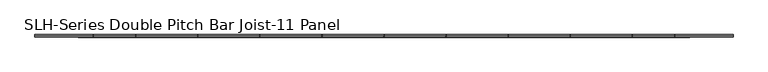
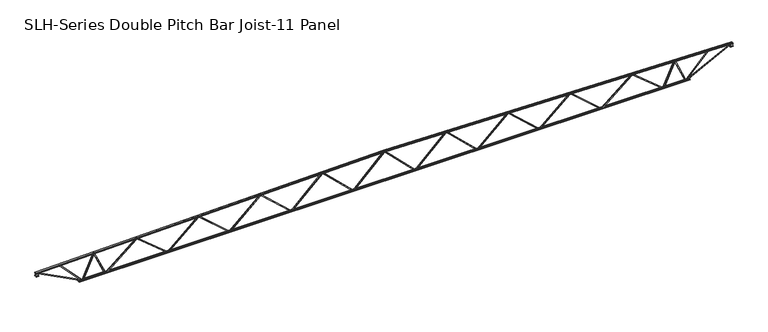
"""IFC4 building model written with IfcOpenShell, lengths in millimetres: beam geometry, SLH-Series Double Pitch Bar Joist-11 Panel."""

from ifc_helpers import new_model, si_unit, frame, origin, place, context, project, spatial, polyline, outline, extrude, faceted_brep, source, transform, mapped, element, save


def slh_series_double_pitch_bar_joist_11_panel_0d3c16e5(model_context):
    return source(origin(), model_context, "Body", "SolidModel", [
        faceted_brep([(12801.6005483, 0.0, -863.6), (12801.6005483, 0.0, -914.4), (12801.6005483, -12.7, -914.4), (12801.6005483, -12.7, -863.6), (12817.8412945, 0.0, -863.6), (14596.0777309, 0.0, 610.4397819), (14656.3233291, 0.0, 609.1851802), (14655.2656592, 0.0, 558.3961918), (14613.9332808, 0.0, 559.2569298), (12836.1587055, 0.0, -914.4), (12836.1587055, -12.7, -914.4), (12905.2963134, -12.7, -857.0895196), (12897.1913876, -12.7, -847.3119853), (14592.0008334, -12.7, 557.572368), (14600.1057592, -12.7, 547.7948337), (14613.9332808, -12.7, 559.2569298), (14655.2656592, -12.7, 558.3961918), (14656.3233291, -12.7, 609.1851802), (14596.0777309, -12.7, 610.4397819), (12817.8412945, -12.7, -863.6), (14600.1057592, -50.8, 547.7948337), (12905.2963134, -50.8, -857.0895196), (12897.1913876, -50.8, -847.3119853), (14592.0008334, -50.8, 557.572368)], [[[0, 1, 2, 3]], [[1, 0, 4, 5, 6, 7, 8, 9]], [[2, 1, 9, 10]], [[3, 2, 10, 11, 12, 13, 14, 15, 16, 17, 18, 19]], [[0, 3, 19, 4]], [[9, 8, 15, 14, 20, 21, 11, 10]], [[5, 4, 19, 18]], [[7, 6, 17, 16]], [[8, 7, 16, 15]], [[6, 5, 18, 17]], [[11, 21, 22, 12]], [[13, 23, 20, 14]], [[22, 21, 20, 23]], [[12, 22, 23, 13]]]),
        faceted_brep([(16459.200586, 12.7, -863.6), (16459.200586, 0.0, -863.6), (16459.200586, 0.0, -914.4), (16459.200586, 12.7, -914.4), (16442.9536443, 12.7, -863.6), (16442.9536443, 0.0, -863.6), (14665.1773799, 0.0, 609.0007964), (14605.5343408, 0.0, 610.24285), (14604.4766709, 0.0, 559.4538617), (14646.4116084, 0.0, 558.5805756), (16424.6463557, 0.0, -914.4), (16424.6463557, 12.7, -914.4), (16355.4885392, 12.7, -857.1139074), (16363.5900161, 12.7, -847.3335152), (14668.3446486, 12.7, 556.9037492), (14660.2431717, 12.7, 547.123357), (14646.4116084, 12.7, 558.5805756), (14604.4766709, 12.7, 559.4538617), (14605.5343408, 12.7, 610.24285), (14665.1773799, 12.7, 609.0007964), (16355.4885392, 50.8, -857.1139074), (16363.5900161, 50.8, -847.3335152), (14660.2431717, 50.8, 547.123357), (14668.3446486, 50.8, 556.9037492)], [[[0, 1, 2, 3]], [[1, 0, 4, 5]], [[2, 1, 5, 6, 7, 8, 9, 10]], [[3, 2, 10, 11]], [[0, 3, 11, 12, 13, 14, 15, 16, 17, 18, 19, 4]], [[5, 4, 19, 6]], [[8, 7, 18, 17]], [[7, 6, 19, 18]], [[9, 8, 17, 16]], [[20, 21, 13, 12]], [[22, 15, 14, 23]], [[21, 20, 22, 23]], [[13, 21, 23, 14]], [[20, 12, 11, 10, 9, 16, 15, 22]]]),
        faceted_brep([(9144.0005483, 0.0, -863.6), (9144.0005483, 0.0, -914.4), (9144.0005483, -12.7, -914.4), (9144.0005483, -12.7, -863.6), (9159.8828503, 0.0, -863.6), (10938.116566, 0.0, 686.6160461), (10998.7233291, 0.0, 685.3539232), (10997.6656592, 0.0, 634.5649348), (10956.6944457, 0.0, 635.4181517), (9178.9171497, 0.0, -914.4), (9178.9171497, -12.7, -914.4), (9246.6086066, -12.7, -855.3884192), (9238.2631088, -12.7, -845.8154016), (10934.8106565, -12.7, 633.1888531), (10943.1561543, -12.7, 623.6158355), (10956.6944457, -12.7, 635.4181517), (10997.6656592, -12.7, 634.5649348), (10998.7233291, -12.7, 685.3539232), (10938.116566, -12.7, 686.6160461), (9159.8828503, -12.7, -863.6), (10943.1561543, -50.8, 623.6158355), (9246.6086066, -50.8, -855.3884192), (9238.2631088, -50.8, -845.8154016), (10934.8106565, -50.8, 633.1888531)], [[[0, 1, 2, 3]], [[1, 0, 4, 5, 6, 7, 8, 9]], [[2, 1, 9, 10]], [[3, 2, 10, 11, 12, 13, 14, 15, 16, 17, 18, 19]], [[0, 3, 19, 4]], [[9, 8, 15, 14, 20, 21, 11, 10]], [[5, 4, 19, 18]], [[7, 6, 17, 16]], [[8, 7, 16, 15]], [[6, 5, 18, 17]], [[11, 21, 22, 12]], [[13, 23, 20, 14]], [[22, 21, 20, 23]], [[12, 22, 23, 13]]]),
        faceted_brep([(12801.600586, 12.7, -863.6), (12801.600586, 0.0, -863.6), (12801.600586, 0.0, -914.4), (12801.600586, 12.7, -914.4), (12785.7122535, 12.7, -863.6), (12785.7122535, 0.0, -863.6), (11007.9332225, 0.0, 685.1621291), (10947.9343408, 0.0, 686.4115931), (10946.8766709, 0.0, 635.6226047), (10988.4557659, 0.0, 634.7567289), (12766.6877465, 0.0, -914.4), (12766.6877465, 12.7, -914.4), (12698.9763422, 12.7, -855.4113085), (12707.3186029, 12.7, -845.8354699), (11010.3403075, 12.7, 632.5348293), (11001.9980467, 12.7, 622.9589906), (10988.4557659, 12.7, 634.7567289), (10946.8766709, 12.7, 635.6226047), (10947.9343408, 12.7, 686.4115931), (11007.9332225, 12.7, 685.1621291), (12698.9763422, 50.8, -855.4113085), (12707.3186029, 50.8, -845.8354699), (11001.9980467, 50.8, 622.9589906), (11010.3403075, 50.8, 632.5348293)], [[[0, 1, 2, 3]], [[1, 0, 4, 5]], [[2, 1, 5, 6, 7, 8, 9, 10]], [[3, 2, 10, 11]], [[0, 3, 11, 12, 13, 14, 15, 16, 17, 18, 19, 4]], [[5, 4, 19, 6]], [[8, 7, 18, 17]], [[7, 6, 19, 18]], [[9, 8, 17, 16]], [[20, 21, 13, 12]], [[22, 15, 14, 23]], [[21, 20, 22, 23]], [[13, 21, 23, 14]], [[20, 12, 11, 10, 9, 16, 15, 22]]]),
        faceted_brep([(5486.4005483, 0.0, -863.6), (5486.4005483, 0.0, -914.4), (5486.4005483, -12.7, -914.4), (5486.4005483, -12.7, -863.6), (5501.9361494, 0.0, -863.6), (7280.1671323, 0.0, 762.792066), (7341.1233291, 0.0, 761.5226662), (7340.0656592, 0.0, 710.7336778), (7299.4438793, 0.0, 711.5796178), (5521.6638506, 0.0, -914.4), (5521.6638506, -12.7, -914.4), (5587.9299471, -12.7, -853.792208), (5579.3587109, -12.7, -844.4207667), (7277.6194239, -12.7, 708.8295006), (7286.19066, -12.7, 699.4580594), (7299.4438793, -12.7, 711.5796178), (7340.0656592, -12.7, 710.7336778), (7341.1233291, -12.7, 761.5226662), (7280.1671323, -12.7, 762.792066), (5501.9361494, -12.7, -863.6), (7286.19066, -50.8, 699.4580594), (5587.9299471, -50.8, -853.792208), (5579.3587109, -50.8, -844.4207667), (7277.6194239, -50.8, 708.8295006)], [[[0, 1, 2, 3]], [[1, 0, 4, 5, 6, 7, 8, 9]], [[2, 1, 9, 10]], [[3, 2, 10, 11, 12, 13, 14, 15, 16, 17, 18, 19]], [[0, 3, 19, 4]], [[9, 8, 15, 14, 20, 21, 11, 10]], [[5, 4, 19, 18]], [[7, 6, 17, 16]], [[8, 7, 16, 15]], [[6, 5, 18, 17]], [[11, 21, 22, 12]], [[13, 23, 20, 14]], [[22, 21, 20, 23]], [[12, 22, 23, 13]]]),
        faceted_brep([(9144.000586, 12.7, -863.6), (9144.000586, 0.0, -863.6), (9144.000586, 0.0, -914.4), (9144.000586, 12.7, -914.4), (9128.4591155, 12.7, -863.6), (9128.4591155, 0.0, -863.6), (7350.6773093, 0.0, 761.3237066), (7290.3343408, 0.0, 762.5803361), (7289.2766709, 0.0, 711.7913477), (7330.511679, 0.0, 710.9326375), (9108.7408845, 0.0, -914.4), (9108.7408845, 12.7, -914.4), (9042.4551543, 12.7, -853.8136817), (9051.0233536, 12.7, -844.4394638), (7352.3370244, 12.7, 708.1895917), (7343.768825, 12.7, 698.8153738), (7330.511679, 12.7, 710.9326375), (7289.2766709, 12.7, 711.7913477), (7290.3343408, 12.7, 762.5803361), (7350.6773093, 12.7, 761.3237066), (9042.4551543, 50.8, -853.8136817), (9051.0233536, 50.8, -844.4394638), (7343.768825, 50.8, 698.8153738), (7352.3370244, 50.8, 708.1895917)], [[[0, 1, 2, 3]], [[1, 0, 4, 5]], [[2, 1, 5, 6, 7, 8, 9, 10]], [[3, 2, 10, 11]], [[0, 3, 11, 12, 13, 14, 15, 16, 17, 18, 19, 4]], [[5, 4, 19, 6]], [[8, 7, 18, 17]], [[7, 6, 19, 18]], [[9, 8, 17, 16]], [[20, 21, 13, 12]], [[22, 15, 14, 23]], [[21, 20, 22, 23]], [[13, 21, 23, 14]], [[20, 12, 11, 10, 9, 16, 15, 22]]]),
        faceted_brep([(1828.8005483, 0.0, -863.6), (1828.8005483, 0.0, -914.4), (1828.8005483, -12.7, -914.4), (1828.8005483, -12.7, -863.6), (1844.0009054, 0.0, -863.6), (3622.2291509, 0.0, 838.9678474), (3683.5233291, 0.0, 837.6914092), (3682.4656592, 0.0, 786.9024209), (3642.1818608, 0.0, 787.7413224), (1864.3990946, 0.0, -914.4), (1864.3990946, -12.7, -914.4), (1929.2640419, -12.7, -852.294939), (1920.48106, -12.7, -843.1216501), (3620.4258893, -12.7, 784.493599), (3629.2088713, -12.7, 775.3203102), (3642.1818608, -12.7, 787.7413224), (3682.4656592, -12.7, 786.9024209), (3683.5233291, -12.7, 837.6914092), (3622.2291509, -12.7, 838.9678474), (1844.0009054, -12.7, -863.6), (3629.2088713, -50.8, 775.3203102), (1929.2640419, -50.8, -852.294939), (1920.48106, -50.8, -843.1216501), (3620.4258893, -50.8, 784.493599)], [[[0, 1, 2, 3]], [[1, 0, 4, 5, 6, 7, 8, 9]], [[2, 1, 9, 10]], [[3, 2, 10, 11, 12, 13, 14, 15, 16, 17, 18, 19]], [[0, 3, 19, 4]], [[9, 8, 15, 14, 20, 21, 11, 10]], [[5, 4, 19, 18]], [[7, 6, 17, 16]], [[8, 7, 16, 15]], [[6, 5, 18, 17]], [[11, 21, 22, 12]], [[13, 23, 20, 14]], [[22, 21, 20, 23]], [[12, 22, 23, 13]]]),
        faceted_brep([(5486.400586, 12.7, -863.6), (5486.400586, 0.0, -863.6), (5486.400586, 0.0, -914.4), (5486.400586, 12.7, -914.4), (5471.1945165, 12.7, -863.6), (5471.1945165, 0.0, -863.6), (3693.4099343, 0.0, 837.4855227), (3632.7343408, 0.0, 838.7490791), (3631.6766709, 0.0, 787.9600907), (3672.579054, 0.0, 787.1083073), (5450.8054835, 0.0, -914.4), (5450.8054835, 12.7, -914.4), (5385.9212589, 12.7, -852.3150791), (5394.7013926, 12.7, -843.1390641), (3694.3360327, 12.7, 783.8673382), (3685.555899, 12.7, 774.6913231), (3672.579054, 12.7, 787.1083073), (3631.6766709, 12.7, 787.9600907), (3632.7343408, 12.7, 838.7490791), (3693.4099343, 12.7, 837.4855227), (5385.9212589, 50.8, -852.3150791), (5394.7013926, 50.8, -843.1390641), (3685.555899, 50.8, 774.6913231), (3694.3360327, 50.8, 783.8673382)], [[[0, 1, 2, 3]], [[1, 0, 4, 5]], [[2, 1, 5, 6, 7, 8, 9, 10]], [[3, 2, 10, 11]], [[0, 3, 11, 12, 13, 14, 15, 16, 17, 18, 19, 4]], [[5, 4, 19, 6]], [[8, 7, 18, 17]], [[7, 6, 19, 18]], [[9, 8, 17, 16]], [[20, 21, 13, 12]], [[22, 15, 14, 23]], [[21, 20, 22, 23]], [[13, 21, 23, 14]], [[20, 12, 11, 10, 9, 16, 15, 22]]]),
        faceted_brep([(-1828.8005483, 0.0, -863.6), (-1828.8005483, 0.0, -914.4), (-1828.8005483, 12.7, -914.4), (-1828.8005483, 12.7, -863.6), (-1844.0009054, 0.0, -863.6), (-3622.2291509, 0.0, 838.9678474), (-3683.5233291, 0.0, 837.6914092), (-3682.4656592, 0.0, 786.9024209), (-3642.1818608, 0.0, 787.7413224), (-1864.3990946, 0.0, -914.4), (-1864.3990946, 12.7, -914.4), (-1929.2640419, 12.7, -852.294939), (-1920.48106, 12.7, -843.1216501), (-3620.4258893, 12.7, 784.493599), (-3629.2088713, 12.7, 775.3203102), (-3642.1818608, 12.7, 787.7413224), (-3682.4656592, 12.7, 786.9024209), (-3683.5233291, 12.7, 837.6914092), (-3622.2291509, 12.7, 838.9678474), (-1844.0009054, 12.7, -863.6), (-3629.2088713, 50.8, 775.3203102), (-1929.2640419, 50.8, -852.294939), (-1920.48106, 50.8, -843.1216501), (-3620.4258893, 50.8, 784.493599)], [[[0, 1, 2, 3]], [[1, 0, 4, 5, 6, 7, 8, 9]], [[2, 1, 9, 10]], [[3, 2, 10, 11, 12, 13, 14, 15, 16, 17, 18, 19]], [[0, 3, 19, 4]], [[9, 8, 15, 14, 20, 21, 11, 10]], [[5, 4, 19, 18]], [[7, 6, 17, 16]], [[8, 7, 16, 15]], [[6, 5, 18, 17]], [[11, 21, 22, 12]], [[13, 23, 20, 14]], [[22, 21, 20, 23]], [[12, 22, 23, 13]]]),
        faceted_brep([(-5486.400586, -12.7, -863.6), (-5486.400586, 0.0, -863.6), (-5486.400586, 0.0, -914.4), (-5486.400586, -12.7, -914.4), (-5471.1945165, -12.7, -863.6), (-5471.1945165, 0.0, -863.6), (-3693.4099343, 0.0, 837.4855227), (-3632.7343408, 0.0, 838.7490791), (-3631.6766709, 0.0, 787.9600907), (-3672.579054, 0.0, 787.1083073), (-5450.8054835, 0.0, -914.4), (-5450.8054835, -12.7, -914.4), (-5385.9212589, -12.7, -852.3150791), (-5394.7013926, -12.7, -843.1390641), (-3694.3360327, -12.7, 783.8673382), (-3685.555899, -12.7, 774.6913231), (-3672.579054, -12.7, 787.1083073), (-3631.6766709, -12.7, 787.9600907), (-3632.7343408, -12.7, 838.7490791), (-3693.4099343, -12.7, 837.4855227), (-5385.9212589, -50.8, -852.3150791), (-5394.7013926, -50.8, -843.1390641), (-3685.555899, -50.8, 774.6913231), (-3694.3360327, -50.8, 783.8673382)], [[[0, 1, 2, 3]], [[1, 0, 4, 5]], [[2, 1, 5, 6, 7, 8, 9, 10]], [[3, 2, 10, 11]], [[0, 3, 11, 12, 13, 14, 15, 16, 17, 18, 19, 4]], [[5, 4, 19, 6]], [[8, 7, 18, 17]], [[7, 6, 19, 18]], [[9, 8, 17, 16]], [[20, 21, 13, 12]], [[22, 15, 14, 23]], [[21, 20, 22, 23]], [[13, 21, 23, 14]], [[20, 12, 11, 10, 9, 16, 15, 22]]]),
        faceted_brep([(-5486.4005483, 0.0, -863.6), (-5486.4005483, 0.0, -914.4), (-5486.4005483, 12.7, -914.4), (-5486.4005483, 12.7, -863.6), (-5501.9361494, 0.0, -863.6), (-7280.1671323, 0.0, 762.792066), (-7341.1233291, 0.0, 761.5226662), (-7340.0656592, 0.0, 710.7336778), (-7299.4438793, 0.0, 711.5796178), (-5521.6638506, 0.0, -914.4), (-5521.6638506, 12.7, -914.4), (-5587.9299471, 12.7, -853.792208), (-5579.3587109, 12.7, -844.4207667), (-7277.6194239, 12.7, 708.8295006), (-7286.19066, 12.7, 699.4580594), (-7299.4438793, 12.7, 711.5796178), (-7340.0656592, 12.7, 710.7336778), (-7341.1233291, 12.7, 761.5226662), (-7280.1671323, 12.7, 762.792066), (-5501.9361494, 12.7, -863.6), (-7286.19066, 50.8, 699.4580594), (-5587.9299471, 50.8, -853.792208), (-5579.3587109, 50.8, -844.4207667), (-7277.6194239, 50.8, 708.8295006)], [[[0, 1, 2, 3]], [[1, 0, 4, 5, 6, 7, 8, 9]], [[2, 1, 9, 10]], [[3, 2, 10, 11, 12, 13, 14, 15, 16, 17, 18, 19]], [[0, 3, 19, 4]], [[9, 8, 15, 14, 20, 21, 11, 10]], [[5, 4, 19, 18]], [[7, 6, 17, 16]], [[8, 7, 16, 15]], [[6, 5, 18, 17]], [[11, 21, 22, 12]], [[13, 23, 20, 14]], [[22, 21, 20, 23]], [[12, 22, 23, 13]]]),
        faceted_brep([(-9144.000586, -12.7, -863.6), (-9144.000586, 0.0, -863.6), (-9144.000586, 0.0, -914.4), (-9144.000586, -12.7, -914.4), (-9128.4591155, -12.7, -863.6), (-9128.4591155, 0.0, -863.6), (-7350.6773093, 0.0, 761.3237066), (-7290.3343408, 0.0, 762.5803361), (-7289.2766709, 0.0, 711.7913477), (-7330.511679, 0.0, 710.9326375), (-9108.7408845, 0.0, -914.4), (-9108.7408845, -12.7, -914.4), (-9042.4551543, -12.7, -853.8136817), (-9051.0233536, -12.7, -844.4394638), (-7352.3370244, -12.7, 708.1895917), (-7343.768825, -12.7, 698.8153738), (-7330.511679, -12.7, 710.9326375), (-7289.2766709, -12.7, 711.7913477), (-7290.3343408, -12.7, 762.5803361), (-7350.6773093, -12.7, 761.3237066), (-9042.4551543, -50.8, -853.8136817), (-9051.0233536, -50.8, -844.4394638), (-7343.768825, -50.8, 698.8153738), (-7352.3370244, -50.8, 708.1895917)], [[[0, 1, 2, 3]], [[1, 0, 4, 5]], [[2, 1, 5, 6, 7, 8, 9, 10]], [[3, 2, 10, 11]], [[0, 3, 11, 12, 13, 14, 15, 16, 17, 18, 19, 4]], [[5, 4, 19, 6]], [[8, 7, 18, 17]], [[7, 6, 19, 18]], [[9, 8, 17, 16]], [[20, 21, 13, 12]], [[22, 15, 14, 23]], [[21, 20, 22, 23]], [[13, 21, 23, 14]], [[20, 12, 11, 10, 9, 16, 15, 22]]]),
        faceted_brep([(-9144.0005483, 0.0, -863.6), (-9144.0005483, 0.0, -914.4), (-9144.0005483, 12.7, -914.4), (-9144.0005483, 12.7, -863.6), (-9159.8828503, 0.0, -863.6), (-10938.116566, 0.0, 686.6160461), (-10998.7233291, 0.0, 685.3539232), (-10997.6656592, 0.0, 634.5649348), (-10956.6944457, 0.0, 635.4181517), (-9178.9171497, 0.0, -914.4), (-9178.9171497, 12.7, -914.4), (-9246.6086066, 12.7, -855.3884192), (-9238.2631088, 12.7, -845.8154016), (-10934.8106565, 12.7, 633.1888531), (-10943.1561543, 12.7, 623.6158355), (-10956.6944457, 12.7, 635.4181517), (-10997.6656592, 12.7, 634.5649348), (-10998.7233291, 12.7, 685.3539232), (-10938.116566, 12.7, 686.6160461), (-9159.8828503, 12.7, -863.6), (-10943.1561543, 50.8, 623.6158355), (-9246.6086066, 50.8, -855.3884192), (-9238.2631088, 50.8, -845.8154016), (-10934.8106565, 50.8, 633.1888531)], [[[0, 1, 2, 3]], [[1, 0, 4, 5, 6, 7, 8, 9]], [[2, 1, 9, 10]], [[3, 2, 10, 11, 12, 13, 14, 15, 16, 17, 18, 19]], [[0, 3, 19, 4]], [[9, 8, 15, 14, 20, 21, 11, 10]], [[5, 4, 19, 18]], [[7, 6, 17, 16]], [[8, 7, 16, 15]], [[6, 5, 18, 17]], [[11, 21, 22, 12]], [[13, 23, 20, 14]], [[22, 21, 20, 23]], [[12, 22, 23, 13]]]),
        faceted_brep([(-12801.600586, -12.7, -863.6), (-12801.600586, 0.0, -863.6), (-12801.600586, 0.0, -914.4), (-12801.600586, -12.7, -914.4), (-12785.7122535, -12.7, -863.6), (-12785.7122535, 0.0, -863.6), (-11007.9332225, 0.0, 685.1621291), (-10947.9343408, 0.0, 686.4115931), (-10946.8766709, 0.0, 635.6226047), (-10988.4557659, 0.0, 634.7567289), (-12766.6877465, 0.0, -914.4), (-12766.6877465, -12.7, -914.4), (-12698.9763422, -12.7, -855.4113085), (-12707.3186029, -12.7, -845.8354699), (-11010.3403075, -12.7, 632.5348293), (-11001.9980467, -12.7, 622.9589906), (-10988.4557659, -12.7, 634.7567289), (-10946.8766709, -12.7, 635.6226047), (-10947.9343408, -12.7, 686.4115931), (-11007.9332225, -12.7, 685.1621291), (-12698.9763422, -50.8, -855.4113085), (-12707.3186029, -50.8, -845.8354699), (-11001.9980467, -50.8, 622.9589906), (-11010.3403075, -50.8, 632.5348293)], [[[0, 1, 2, 3]], [[1, 0, 4, 5]], [[2, 1, 5, 6, 7, 8, 9, 10]], [[3, 2, 10, 11]], [[0, 3, 11, 12, 13, 14, 15, 16, 17, 18, 19, 4]], [[5, 4, 19, 6]], [[8, 7, 18, 17]], [[7, 6, 19, 18]], [[9, 8, 17, 16]], [[20, 21, 13, 12]], [[22, 15, 14, 23]], [[21, 20, 22, 23]], [[13, 21, 23, 14]], [[20, 12, 11, 10, 9, 16, 15, 22]]]),
        faceted_brep([(-12801.6005483, 0.0, -863.6), (-12801.6005483, 0.0, -914.4), (-12801.6005483, 12.7, -914.4), (-12801.6005483, 12.7, -863.6), (-12817.8412945, 0.0, -863.6), (-14596.0777309, 0.0, 610.4397819), (-14656.3233291, 0.0, 609.1851802), (-14655.2656592, 0.0, 558.3961918), (-14613.9332808, 0.0, 559.2569298), (-12836.1587055, 0.0, -914.4), (-12836.1587055, 12.7, -914.4), (-12905.2963134, 12.7, -857.0895196), (-12897.1913876, 12.7, -847.3119853), (-14592.0008334, 12.7, 557.572368), (-14600.1057592, 12.7, 547.7948337), (-14613.9332808, 12.7, 559.2569298), (-14655.2656592, 12.7, 558.3961918), (-14656.3233291, 12.7, 609.1851802), (-14596.0777309, 12.7, 610.4397819), (-12817.8412945, 12.7, -863.6), (-14600.1057592, 50.8, 547.7948337), (-12905.2963134, 50.8, -857.0895196), (-12897.1913876, 50.8, -847.3119853), (-14592.0008334, 50.8, 557.572368)], [[[0, 1, 2, 3]], [[1, 0, 4, 5, 6, 7, 8, 9]], [[2, 1, 9, 10]], [[3, 2, 10, 11, 12, 13, 14, 15, 16, 17, 18, 19]], [[0, 3, 19, 4]], [[9, 8, 15, 14, 20, 21, 11, 10]], [[5, 4, 19, 18]], [[7, 6, 17, 16]], [[8, 7, 16, 15]], [[6, 5, 18, 17]], [[11, 21, 22, 12]], [[13, 23, 20, 14]], [[22, 21, 20, 23]], [[12, 22, 23, 13]]]),
        faceted_brep([(-16459.200586, -12.7, -863.6), (-16459.200586, 0.0, -863.6), (-16459.200586, 0.0, -914.4), (-16459.200586, -12.7, -914.4), (-16442.9536443, -12.7, -863.6), (-16442.9536443, 0.0, -863.6), (-14665.1773799, 0.0, 609.0007964), (-14605.5343408, 0.0, 610.24285), (-14604.4766709, 0.0, 559.4538617), (-14646.4116084, 0.0, 558.5805756), (-16424.6463557, 0.0, -914.4), (-16424.6463557, -12.7, -914.4), (-16355.4885392, -12.7, -857.1139074), (-16363.5900161, -12.7, -847.3335152), (-14668.3446486, -12.7, 556.9037492), (-14660.2431717, -12.7, 547.123357), (-14646.4116084, -12.7, 558.5805756), (-14604.4766709, -12.7, 559.4538617), (-14605.5343408, -12.7, 610.24285), (-14665.1773799, -12.7, 609.0007964), (-16355.4885392, -50.8, -857.1139074), (-16363.5900161, -50.8, -847.3335152), (-14660.2431717, -50.8, 547.123357), (-14668.3446486, -50.8, 556.9037492)], [[[0, 1, 2, 3]], [[1, 0, 4, 5]], [[2, 1, 5, 6, 7, 8, 9, 10]], [[3, 2, 10, 11]], [[0, 3, 11, 12, 13, 14, 15, 16, 17, 18, 19, 4]], [[5, 4, 19, 6]], [[8, 7, 18, 17]], [[7, 6, 19, 18]], [[9, 8, 17, 16]], [[20, 21, 13, 12]], [[22, 15, 14, 23]], [[21, 20, 22, 23]], [[13, 21, 23, 14]], [[20, 12, 11, 10, 9, 16, 15, 22]]]),
        faceted_brep([(1828.7994517, 0.0, -863.6), (1828.7994517, 0.0, -914.4), (1828.7994517, 12.7, -914.4), (1828.7994517, 12.7, -863.6), (1813.9210245, 0.0, -863.6), (35.9210245, 0.0, 914.4), (-25.4, 0.0, 914.4), (-25.4, 0.0, 863.6), (14.8789755, 0.0, 863.6), (1792.8789755, 0.0, -914.4), (1792.8789755, 12.7, -914.4), (1729.3789755, 12.7, -850.9), (1738.3592316, 12.7, -841.9197439), (36.5592316, 12.7, 859.8802561), (27.5789755, 12.7, 850.9), (14.8789755, 12.7, 863.6), (-25.4, 12.7, 863.6), (-25.4, 12.7, 914.4), (35.9210245, 12.7, 914.4), (1813.9210245, 12.7, -863.6), (27.5789755, 50.8, 850.9), (1729.3789755, 50.8, -850.9), (1738.3592316, 50.8, -841.9197439), (36.5592316, 50.8, 859.8802561)], [[[0, 1, 2, 3]], [[1, 0, 4, 5, 6, 7, 8, 9]], [[2, 1, 9, 10]], [[3, 2, 10, 11, 12, 13, 14, 15, 16, 17, 18, 19]], [[0, 3, 19, 4]], [[9, 8, 15, 14, 20, 21, 11, 10]], [[5, 4, 19, 18]], [[7, 6, 17, 16]], [[8, 7, 16, 15]], [[6, 5, 18, 17]], [[11, 21, 22, 12]], [[13, 23, 20, 14]], [[22, 21, 20, 23]], [[12, 22, 23, 13]]]),
        faceted_brep([(-1828.800586, -12.7, -863.6), (-1828.800586, 0.0, -863.6), (-1828.800586, 0.0, -914.4), (-1828.800586, -12.7, -914.4), (-1813.9210245, -12.7, -863.6), (-1813.9210245, 0.0, -863.6), (-35.9210245, 0.0, 914.4), (25.4, 0.0, 914.4), (25.4, 0.0, 863.6), (-14.8789755, 0.0, 863.6), (-1792.8789755, 0.0, -914.4), (-1792.8789755, -12.7, -914.4), (-1729.3789755, -12.7, -850.9), (-1738.3592316, -12.7, -841.9197439), (-36.5592316, -12.7, 859.8802561), (-27.5789755, -12.7, 850.9), (-14.8789755, -12.7, 863.6), (25.4, -12.7, 863.6), (25.4, -12.7, 914.4), (-35.9210245, -12.7, 914.4), (-1729.3789755, -50.8, -850.9), (-1738.3592316, -50.8, -841.9197439), (-27.5789755, -50.8, 850.9), (-36.5592316, -50.8, 859.8802561)], [[[0, 1, 2, 3]], [[1, 0, 4, 5]], [[2, 1, 5, 6, 7, 8, 9, 10]], [[3, 2, 10, 11]], [[0, 3, 11, 12, 13, 14, 15, 16, 17, 18, 19, 4]], [[5, 4, 19, 6]], [[8, 7, 18, 17]], [[7, 6, 19, 18]], [[9, 8, 17, 16]], [[20, 21, 13, 12]], [[22, 15, 14, 23]], [[21, 20, 22, 23]], [[13, 21, 23, 14]], [[20, 12, 11, 10, 9, 16, 15, 22]]]),
        faceted_brep([(16459.2005483, 0.0, -863.6), (16459.2005483, 0.0, -914.4), (16459.2005483, -12.7, -914.4), (16459.2005483, -12.7, -863.6), (16468.1259703, 0.0, -863.6), (17103.4012395, 0.0, 558.8116779), (17171.2709742, 0.0, 556.4416145), (17169.4980798, 0.0, 505.6725605), (17135.8297065, 0.0, 506.848286), (16501.0740297, 0.0, -914.4), (16501.0740297, -12.7, -914.4), (16537.6950994, -12.7, -832.4036754), (16526.0990679, -12.7, -827.224674), (17116.9094612, -12.7, 495.6280224), (17128.5054926, -12.7, 490.4490211), (17135.8297065, -12.7, 506.848286), (17169.4980798, -12.7, 505.6725605), (17171.2709742, -12.7, 556.4416145), (17103.4012395, -12.7, 558.8116779), (16468.1259703, -12.7, -863.6), (17128.5054926, -50.8, 490.4490211), (16537.6950994, -50.8, -832.4036754), (16526.0990679, -50.8, -827.224674), (17116.9094612, -50.8, 495.6280224)], [[[0, 1, 2, 3]], [[1, 0, 4, 5, 6, 7, 8, 9]], [[2, 1, 9, 10]], [[3, 2, 10, 11, 12, 13, 14, 15, 16, 17, 18, 19]], [[0, 3, 19, 4]], [[9, 8, 15, 14, 20, 21, 11, 10]], [[5, 4, 19, 18]], [[7, 6, 17, 16]], [[8, 7, 16, 15]], [[6, 5, 18, 17]], [[11, 21, 22, 12]], [[13, 23, 20, 14]], [[22, 21, 20, 23]], [[12, 22, 23, 13]]]),
        faceted_brep([(17830.800586, 12.7, -863.6), (17830.800586, 0.0, -863.6), (17830.800586, 0.0, -914.4), (17830.800586, 12.7, -914.4), (17821.8656454, 12.7, -863.6), (17821.8656454, 0.0, -863.6), (17187.1043412, 0.0, 555.8887012), (17120.5019202, 0.0, 558.214509), (17118.7290258, 0.0, 507.4454549), (17153.6647128, 0.0, 506.2254739), (17788.9343546, 0.0, -914.4), (17788.9343546, 12.7, -914.4), (17752.2751797, 12.7, -832.4207045), (17763.8688028, 12.7, -827.2363142), (17172.590171, 12.7, 495.014005), (17160.9965478, 12.7, 489.8296148), (17153.6647128, 12.7, 506.2254739), (17118.7290258, 12.7, 507.4454549), (17120.5019202, 12.7, 558.214509), (17187.1043412, 12.7, 555.8887012), (17752.2751797, 50.8, -832.4207045), (17763.8688028, 50.8, -827.2363142), (17160.9965478, 50.8, 489.8296148), (17172.590171, 50.8, 495.014005)], [[[0, 1, 2, 3]], [[1, 0, 4, 5]], [[2, 1, 5, 6, 7, 8, 9, 10]], [[3, 2, 10, 11]], [[0, 3, 11, 12, 13, 14, 15, 16, 17, 18, 19, 4]], [[5, 4, 19, 6]], [[8, 7, 18, 17]], [[7, 6, 19, 18]], [[9, 8, 17, 16]], [[20, 21, 13, 12]], [[22, 15, 14, 23]], [[21, 20, 22, 23]], [[13, 21, 23, 14]], [[20, 12, 11, 10, 9, 16, 15, 22]]]),
        faceted_brep([(-16459.2005483, 0.0, -863.6), (-16459.2005483, 0.0, -914.4), (-16459.2005483, 12.7, -914.4), (-16459.2005483, 12.7, -863.6), (-16468.1259703, 0.0, -863.6), (-17103.4012395, 0.0, 558.8116779), (-17171.2709742, 0.0, 556.4416145), (-17169.4980798, 0.0, 505.6725605), (-17135.8297065, 0.0, 506.848286), (-16501.0740297, 0.0, -914.4), (-16501.0740297, 12.7, -914.4), (-16537.6950994, 12.7, -832.4036754), (-16526.0990679, 12.7, -827.224674), (-17116.9094612, 12.7, 495.6280224), (-17128.5054926, 12.7, 490.4490211), (-17135.8297065, 12.7, 506.848286), (-17169.4980798, 12.7, 505.6725605), (-17171.2709742, 12.7, 556.4416145), (-17103.4012395, 12.7, 558.8116779), (-16468.1259703, 12.7, -863.6), (-17128.5054926, 50.8, 490.4490211), (-16537.6950994, 50.8, -832.4036754), (-16526.0990679, 50.8, -827.224674), (-17116.9094612, 50.8, 495.6280224)], [[[0, 1, 2, 3]], [[1, 0, 4, 5, 6, 7, 8, 9]], [[2, 1, 9, 10]], [[3, 2, 10, 11, 12, 13, 14, 15, 16, 17, 18, 19]], [[0, 3, 19, 4]], [[9, 8, 15, 14, 20, 21, 11, 10]], [[5, 4, 19, 18]], [[7, 6, 17, 16]], [[8, 7, 16, 15]], [[6, 5, 18, 17]], [[11, 21, 22, 12]], [[13, 23, 20, 14]], [[22, 21, 20, 23]], [[12, 22, 23, 13]]]),
        faceted_brep([(-17830.800586, -12.7, -863.6), (-17830.800586, 0.0, -863.6), (-17830.800586, 0.0, -914.4), (-17830.800586, -12.7, -914.4), (-17821.8656454, -12.7, -863.6), (-17821.8656454, 0.0, -863.6), (-17187.1043412, 0.0, 555.8887012), (-17120.5019202, 0.0, 558.214509), (-17118.7290258, 0.0, 507.4454549), (-17153.6647128, 0.0, 506.2254739), (-17788.9343546, 0.0, -914.4), (-17788.9343546, -12.7, -914.4), (-17752.2751797, -12.7, -832.4207045), (-17763.8688028, -12.7, -827.2363142), (-17172.590171, -12.7, 495.014005), (-17160.9965478, -12.7, 489.8296148), (-17153.6647128, -12.7, 506.2254739), (-17118.7290258, -12.7, 507.4454549), (-17120.5019202, -12.7, 558.214509), (-17187.1043412, -12.7, 555.8887012), (-17752.2751797, -50.8, -832.4207045), (-17763.8688028, -50.8, -827.2363142), (-17160.9965478, -50.8, 489.8296148), (-17172.590171, -50.8, 495.014005)], [[[0, 1, 2, 3]], [[1, 0, 4, 5]], [[2, 1, 5, 6, 7, 8, 9, 10]], [[3, 2, 10, 11]], [[0, 3, 11, 12, 13, 14, 15, 16, 17, 18, 19, 4]], [[5, 4, 19, 6]], [[8, 7, 18, 17]], [[7, 6, 19, 18]], [[9, 8, 17, 16]], [[20, 21, 13, 12]], [[22, 15, 14, 23]], [[21, 20, 22, 23]], [[13, 21, 23, 14]], [[20, 12, 11, 10, 9, 16, 15, 22]]]),
        faceted_brep([(20421.6, 25.4, 425.6245182), (20421.6, 25.4, 308.1508206), (20421.6, 76.2, 308.1508206), (20421.6, 76.2, 295.4508206), (20421.6, 12.7, 295.4508206), (20421.6, 12.7, 425.6245182), (20574.0, 25.4, 422.4508206), (20574.0, 12.7, 422.4508206), (20574.0, 12.7, 295.4508206), (20574.0, 76.2, 295.4508206), (20574.0, 76.2, 308.1508206), (20574.0, 25.4, 308.1508206)], [[[0, 1, 2, 3, 4, 5]], [[6, 7, 8, 9, 10, 11]], [[6, 11, 1, 0]], [[11, 10, 2, 1]], [[10, 9, 3, 2]], [[9, 8, 4, 3]], [[8, 7, 5, 4]], [[7, 6, 0, 5]]]),
        faceted_brep([(20421.6, -76.2, 308.1508206), (20421.6, -25.4, 308.1508206), (20421.6, -25.4, 425.6245182), (20421.6, -12.7, 425.6245182), (20421.6, -12.7, 295.4508206), (20421.6, -76.2, 295.4508206), (20574.0, -76.2, 308.1508206), (20574.0, -76.2, 295.4508206), (20574.0, -12.7, 295.4508206), (20574.0, -12.7, 422.4508206), (20574.0, -25.4, 422.4508206), (20574.0, -25.4, 308.1508206)], [[[0, 1, 2, 3, 4, 5]], [[6, 7, 8, 9, 10, 11]], [[6, 11, 1, 0]], [[11, 10, 2, 1]], [[10, 9, 3, 2]], [[9, 8, 4, 3]], [[8, 7, 5, 4]], [[7, 6, 0, 5]]]),
        faceted_brep([(-20421.6, -25.4, 425.6245182), (-20421.6, -25.4, 308.1508206), (-20421.6, -76.2, 308.1508206), (-20421.6, -76.2, 295.4508206), (-20421.6, -12.7, 295.4508206), (-20421.6, -12.7, 425.6245182), (-20574.0, -25.4, 422.4508206), (-20574.0, -12.7, 422.4508206), (-20574.0, -12.7, 295.4508206), (-20574.0, -76.2, 295.4508206), (-20574.0, -76.2, 308.1508206), (-20574.0, -25.4, 308.1508206)], [[[0, 1, 2, 3, 4, 5]], [[6, 7, 8, 9, 10, 11]], [[6, 11, 1, 0]], [[11, 10, 2, 1]], [[10, 9, 3, 2]], [[9, 8, 4, 3]], [[8, 7, 5, 4]], [[7, 6, 0, 5]]]),
        faceted_brep([(-20421.6, 25.4, 425.6245182), (-20421.6, 12.7, 425.6245182), (-20421.6, 12.7, 295.4508206), (-20421.6, 76.2, 295.4508206), (-20421.6, 76.2, 308.1508206), (-20421.6, 25.4, 308.1508206), (-20574.0, 25.4, 422.4508206), (-20574.0, 25.4, 308.1508206), (-20574.0, 76.2, 308.1508206), (-20574.0, 76.2, 295.4508206), (-20574.0, 12.7, 295.4508206), (-20574.0, 12.7, 422.4508206)], [[[0, 1, 2, 3, 4, 5]], [[6, 7, 8, 9, 10, 11]], [[6, 11, 1, 0]], [[11, 10, 2, 1]], [[10, 9, 3, 2]], [[9, 8, 4, 3]], [[8, 7, 5, 4]], [[7, 6, 0, 5]]]),
        extrude(outline(polyline([(12.7, -914.4), (12.7, -850.9), (25.4, -850.9), (25.4, -901.7), (76.2, -901.7), (76.2, -914.4), (12.7, -914.4)])), frame((-18030.8, 0.0, 0.0), z_axis=(1.0, 0.0, 0.0), x_axis=(0.0, 1.0, 0.0)), (0.0, 0.0, 1.0), 36061.6),
        extrude(outline(polyline([(-12.7, -914.4), (-76.2, -914.4), (-76.2, -901.7), (-25.4, -901.7), (-25.4, -850.9), (-12.7, -850.9), (-12.7, -914.4)])), frame((-18030.8, 0.0, 0.0), z_axis=(1.0, 0.0, 0.0), x_axis=(0.0, 1.0, 0.0)), (0.0, 0.0, 1.0), 36061.6),
        extrude(outline(polyline([(6.35, -25.4), (-6.35, -25.4), (-6.35, 25.4), (6.35, 25.4), (6.35, -25.4)])), frame((-17830.8, 0.0, -908.05), z_axis=(-0.6895291076354572, 0.0, 0.7242579718052472), x_axis=(0.0, -1.0, 0.0)), (0.0, 0.0, 1.0), 1878.6734101),
        extrude(outline(polyline([(0.0, -12.7), (0.0, 0.0), (2913.9201197, 0.0), (2913.9201197, -12.7), (0.0, -12.7)])), frame((-20433.2253409, 6.35, 403.0403742), z_axis=(0.45769058602676554, 0.0, 0.8891115382574203), x_axis=(0.8891115382574203, 0.0, -0.45769058602676554)), (0.0, 0.0, 1.0), 50.8),
        extrude(outline(polyline([(6.35, 25.4), (6.35, -25.4), (-6.35, -25.4), (-6.35, 25.4), (6.35, 25.4)])), frame((17830.8, 0.0, -908.05), z_axis=(0.6895255159016633, 0.0, 0.7242613912949835), x_axis=(0.0, -1.0, 0.0)), (0.0, 0.0, 1.0), 1878.6831961),
        extrude(outline(polyline([(0.0, -12.7), (0.0, 0.0), (2913.9207707, 0.0), (2913.9207707, -12.7), (0.0, -12.7)])), frame((17842.4253507, -6.35, -930.633428), z_axis=(-0.4576909718797464, 0.0, 0.8891113396306299), x_axis=(0.8891113396306299, 0.0, 0.4576909718797464)), (0.0, 0.0, 1.0), 50.8),
        faceted_brep([(20574.0, 76.2, 485.9508206), (20574.0, 12.7, 485.9508206), (20574.0, 12.7, 422.4508206), (20574.0, 25.4, 422.4508206), (20574.0, 25.4, 473.2508206), (20574.0, 76.2, 473.2508206), (4.6101, 76.2, 901.7), (-20574.0, 76.2, 473.2508206), (-20574.0, 76.2, 485.9508206), (4.6101, 76.2, 914.4), (4.6101, 25.4, 901.7), (4.6101, 25.4, 850.9), (-20574.0, 25.4, 422.4508206), (-20574.0, 25.4, 473.2508206), (4.6101, 12.7, 850.9), (4.6101, 12.7, 914.4), (-20574.0, 12.7, 485.9508206), (-20574.0, 12.7, 422.4508206)], [[[0, 1, 2, 3, 4, 5]], [[0, 5, 6, 7, 8, 9]], [[5, 4, 10, 6]], [[4, 3, 11, 12, 13, 10]], [[3, 2, 14, 11]], [[2, 1, 15, 16, 17, 14]], [[1, 0, 9, 15]], [[8, 7, 13, 12, 17, 16]], [[8, 16, 15, 9]], [[17, 12, 11, 14]], [[13, 7, 6, 10]]]),
        faceted_brep([(20574.0, -12.7, 485.9508206), (20574.0, -76.2, 485.9508206), (20574.0, -76.2, 473.2508206), (20574.0, -25.4, 473.2508206), (20574.0, -25.4, 422.4508206), (20574.0, -12.7, 422.4508206), (4.6101, -12.7, 850.9), (-20574.0, -12.7, 422.4508206), (-20574.0, -12.7, 485.9508206), (4.6101, -12.7, 914.4), (4.6101, -25.4, 850.9), (4.6101, -25.4, 901.7), (-20574.0, -25.4, 473.2508206), (-20574.0, -25.4, 422.4508206), (4.6101, -76.2, 901.7), (4.6101, -76.2, 914.4), (-20574.0, -76.2, 485.9508206), (-20574.0, -76.2, 473.2508206)], [[[0, 1, 2, 3, 4, 5]], [[0, 5, 6, 7, 8, 9]], [[5, 4, 10, 6]], [[4, 3, 11, 12, 13, 10]], [[3, 2, 14, 11]], [[2, 1, 15, 16, 17, 14]], [[1, 0, 9, 15]], [[8, 7, 13, 12, 17, 16]], [[8, 16, 15, 9]], [[17, 12, 11, 14]], [[13, 7, 6, 10]]]),
    ])


if __name__ == "__main__":
    model = new_model("IFC4")
    model_context = context("Model", 3, world=origin())
    ifc_project = project(units=[si_unit("LENGTHUNIT", "METRE", prefix="MILLI")], contexts=[model_context])
    site = spatial("IfcSite", under=ifc_project)
    building = spatial("IfcBuilding", under=site)
    placement = place(None, origin())
    slh_series_double_pitch_bar_joist_11_panel_shape = slh_series_double_pitch_bar_joist_11_panel_0d3c16e5(model_context)
    element("IfcBeam", 1, ObjectType="SLH-Series Double Pitch Bar Joist-11 Panel", at=placement, inside=building, context=model_context, shape_type="MappedRepresentation", body=[
        mapped(slh_series_double_pitch_bar_joist_11_panel_shape, transform((0.0, 0.0, 0.0), x_axis=(1.0, 0.0, 0.0), y_axis=(0.0, 1.0, 0.0), z_axis=(0.0, 0.0, 1.0))),
    ])
    save(model, "model.ifc")
